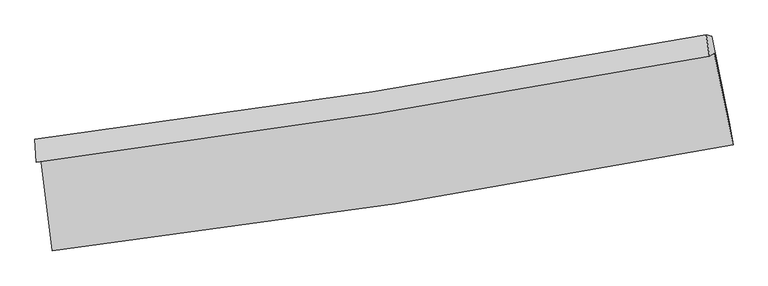
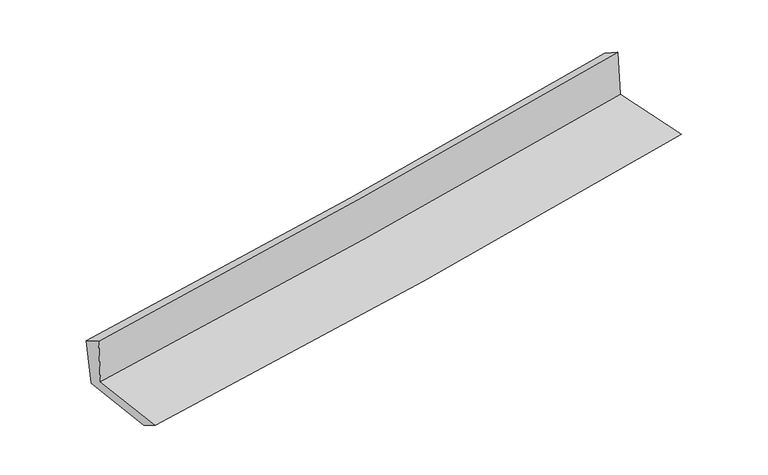
"""IFC4 building model written with IfcOpenShell, lengths in millimetres: proxy geometry."""

from ifc_helpers import new_model, si_unit, frame, origin, place, context, project, spatial, source, transform, mapped, element, save
from ifc_brep_helpers import plane_surface, spline_curve, spline_surface, advanced_brep


def generic_models_9f7ce8b5(model_context):
    return source(origin(), model_context, "Body", "AdvancedBrep", [
        advanced_brep(
        [(-2489.0464748, -1862.9230234, 1660.3295971), (-2407.8175611, -2538.0046583, 1647.3035356), (2566.1145847, -1764.1398926, 2081.2513997), (2427.7867002, -1097.4703102, 2088.9622759), (-2522.4811863, -1891.6384876, 2059.7748619), (2393.3238599, -1119.4866535, 2500.1788394), (-2533.4555967, -1726.1356862, 1966.0352055), (2370.1197364, -962.648449, 2403.5462184), (-2496.1097953, -1735.911066, 1573.6575469), (2408.7762767, -972.0074984, 2016.3867041), (-2417.2472823, -2387.1698266, 1555.668799), (2539.8009641, -1601.0524144, 2003.8021915)],
        [
            (0, 1),
            (1, 2, spline_curve(3, [(-2407.8175611, -2538.0046583, 1647.3035356), (-1570.72020581, -2440.186767367, 1724.975122012), (-735.671510412, -2326.398212656, 1800.136940466), (922.266407959, -2068.135643811, 1944.73788227), (1745.195094105, -1923.96927687, 2014.225351638), (2566.1145847, -1764.1398926, 2081.2513997)], [4, 2, 4], [0.0, 8.282115516798562, 16.484072944432864])),
            (2, 3),
            (3, 0, spline_curve(3, [(2427.7867002, -1097.4703102, 2088.9622759), (1615.796478068, -1249.32392461, 2022.96700419), (802.066220004, -1388.788811009, 1954.43606387), (-836.843994501, -1644.18305006, 1811.608308848), (-1662.058128086, -1759.869067781, 1737.261689705), (-2489.0464748, -1862.9230234, 1660.3295971)], [4, 2, 4], [0.0, 8.201957427634301, 16.484072944432864])),
            (4, 0),
            (3, 5),
            (5, 4, spline_curve(3, [(2393.3238599, -1119.4866535, 2500.1788394), (1581.20452, -1270.088906617, 2432.323123299), (767.494235362, -1409.477914249, 2361.88601269), (-871.076198186, -1667.082104883, 2215.135389462), (-1695.967595565, -1785.077042202, 2138.771174366), (-2522.4811863, -1891.6384876, 2059.7748619)], [4, 2, 4], [0.0, 8.155086916114906, 16.38987385383219])),
            (6, 4),
            (5, 7),
            (7, 6, spline_curve(3, [(2370.1197364, -962.648449, 2403.5462184), (1560.615456838, -1113.367843884, 2332.873192284), (749.228315598, -1252.100662606, 2261.259318317), (-885.259812952, -1506.831843972, 2115.440793606), (-1708.397782775, -1622.59477095, 2041.217663522), (-2533.4555967, -1726.1356862, 1966.0352055)], [4, 2, 4], [0.0, 8.144770062090396, 16.369139318716936])),
            (8, 6),
            (7, 9),
            (9, 8, spline_curve(3, [(2408.7762767, -972.0074984, 2016.3867041), (1599.198055424, -1122.849422229, 1943.272460386), (787.665595161, -1261.678160905, 1870.001415099), (-847.258044502, -1516.548641853, 1722.428109345), (-1670.687608208, -1632.354425703, 1648.122768537), (-2496.1097953, -1735.911066, 1573.6575469)], [4, 2, 4], [0.0, 8.135183749550828, 16.349873006185497])),
            (10, 8),
            (9, 11),
            (11, 10, spline_curve(3, [(2539.8009641, -1601.0524144, 2003.8021915), (1723.230337073, -1767.567792245, 1929.481907171), (903.879997697, -1916.104560216, 1855.15892572), (-748.414819905, -2178.496826178, 1705.781181372), (-1581.413895648, -2291.999195735, 1630.726365162), (-2417.2472823, -2387.1698266, 1555.668799)], [4, 2, 4], [0.0, 8.182329291357732, 16.44462484524423])),
            (1, 10),
            (11, 2),
        ],
        [
            spline_surface(3, 3, [[(-2489.0464748, -1862.9230234, 1660.3295971), (-1662.058128183, -1759.86906771, 1737.26168958), (-836.843994541, -1644.183049957, 1811.608308842), (802.066220043, -1388.788811111, 1954.436063876), (1615.796478057, -1249.32392449, 2022.967004169), (2427.7867002, -1097.4703102, 2088.9622759)], [(-2461.970170226, -2087.950235022, 1655.987576616), (-1631.612154094, -1986.641634264, 1733.166167043), (-803.119833137, -1871.588104162, 1807.784519389), (842.132949292, -1615.237755391, 1951.203336674), (1658.929350079, -1474.205708623, 2020.053120023), (2473.89599504, -1319.693504333, 2086.391983837)], [(-2434.893865674, -2312.977446678, 1651.645556084), (-1601.166180028, -2213.414200852, 1729.070644457), (-769.395671689, -2098.993158338, 1803.960729928), (882.199678585, -1841.686699642, 1947.970609463), (1702.062222081, -1699.087492758, 2017.139235865), (2520.00528986, -1541.916698467, 2083.821691763)], [(-2407.8175611, -2538.0046583, 1647.3035356), (-1570.720205939, -2440.186767406, 1724.975121919), (-735.671510285, -2326.398212544, 1800.136940475), (922.266407834, -2068.135643923, 1944.737882261), (1745.195094104, -1923.96927689, 2014.225351719), (2566.1145847, -1764.1398926, 2081.2513997)]], [4, 4], [4, 2, 4], [0.0, 2.263124798360597], [0.0, 8.282115516798562, 16.484072944432864]),
            spline_surface(3, 3, [[(-2522.4811863, -1891.6384876, 2059.7748619), (-1695.967595526, -1785.07704216, 2138.771174268), (-871.076198084, -1667.082104962, 2215.13538952), (767.494235261, -1409.477914171, 2361.886012632), (1581.20451993, -1270.088906677, 2432.323123223), (2393.3238599, -1119.4866535, 2500.1788394)], [(-2511.336282492, -1882.066666189, 1926.626440272), (-1684.66443977, -1776.674383999, 2004.934679345), (-859.665463561, -1659.449086627, 2080.626362612), (779.018230197, -1402.581546484, 2226.069363031), (1592.735172642, -1263.167245928, 2295.871083538), (2404.811473336, -1112.147872379, 2363.106651567)], [(-2500.191378608, -1872.494844811, 1793.478018728), (-1673.361283939, -1768.271725871, 1871.098184504), (-848.254729063, -1651.816068292, 1946.117335751), (790.542225108, -1395.685178798, 2090.252713477), (1604.265825345, -1256.24558524, 2159.419043854), (2416.299086764, -1104.809091321, 2226.034463733)], [(-2489.0464748, -1862.9230234, 1660.3295971), (-1662.058128183, -1759.86906771, 1737.26168958), (-836.843994541, -1644.183049957, 1811.608308842), (802.066220043, -1388.788811111, 1954.436063876), (1615.796478057, -1249.32392449, 2022.967004169), (2427.7867002, -1097.4703102, 2088.9622759)]], [4, 4], [4, 2, 4], [0.0, 1.3369746904431716], [0.0, 8.234786937717283, 16.38987385383219]),
            spline_surface(3, 3, [[(-2533.4555967, -1726.1356862, 1966.0352055), (-1708.397782895, -1622.594771013, 2041.217663462), (-885.259812989, -1506.831843921, 2115.440793701), (749.228315634, -1252.100662656, 2261.259318223), (1560.615456757, -1113.367844004, 2332.873192321), (2370.1197364, -962.648449, 2403.5462184)], [(-2529.797459888, -1781.303286687, 1997.28175764), (-1704.254387094, -1676.755528082, 2073.735500404), (-880.531941361, -1560.248597591, 2148.672325641), (755.316955503, -1304.559746484, 2294.801549693), (1567.478477801, -1165.608198239, 2366.023169308), (2377.85444422, -1014.927850511, 2435.757092087)], [(-2526.139323112, -1836.470887113, 2028.52830976), (-1700.110991327, -1730.916285091, 2106.253337326), (-875.804069712, -1613.665351292, 2181.90385758), (761.405595392, -1357.018830343, 2328.343781162), (1574.341498886, -1217.848552442, 2399.173146236), (2385.58915208, -1067.207251989, 2467.967965713)], [(-2522.4811863, -1891.6384876, 2059.7748619), (-1695.967595526, -1785.07704216, 2138.771174268), (-871.076198084, -1667.082104962, 2215.13538952), (767.494235261, -1409.477914171, 2361.886012632), (1581.20451993, -1270.088906677, 2432.323123223), (2393.3238599, -1119.4866535, 2500.1788394)]], [4, 4], [4, 2, 4], [0.0, 0.6183324695245052], [0.0, 8.22436925662654, 16.369139318716936]),
            spline_surface(3, 3, [[(-2496.1097953, -1735.911066, 1573.6575469), (-1670.68760823, -1632.354425582, 1648.122768626), (-847.258044476, -1516.548641729, 1722.428109267), (787.665595136, -1261.678161029, 1870.001415176), (1599.198055398, -1122.849422323, 1943.272460265), (2408.7762767, -972.0074984, 2016.3867041)], [(-2508.558395779, -1732.652606059, 1704.450099786), (-1683.257666463, -1629.101207385, 1779.154400257), (-859.925300652, -1513.309709137, 1853.432337399), (774.853168631, -1258.485661583, 2000.420716179), (1586.337189182, -1119.688896201, 2073.13937095), (2395.890763265, -968.887815251, 2145.439875533)], [(-2521.006996221, -1729.394146141, 1835.242652614), (-1695.827724661, -1625.847989211, 1910.18603183), (-872.592556814, -1510.070776512, 1984.436565569), (762.04074214, -1255.293162102, 2130.84001722), (1573.476322972, -1116.528370125, 2203.006281636), (2383.005249835, -965.768132149, 2274.493046967)], [(-2533.4555967, -1726.1356862, 1966.0352055), (-1708.397782895, -1622.594771013, 2041.217663462), (-885.259812989, -1506.831843921, 2115.440793701), (749.228315634, -1252.100662656, 2261.259318223), (1560.615456757, -1113.367844004, 2332.873192321), (2370.1197364, -962.648449, 2403.5462184)]], [4, 4], [4, 2, 4], [0.0, 1.293043839761764], [0.0, 8.214689256634669, 16.349873006185497]),
            spline_surface(3, 3, [[(-2417.2472823, -2387.1698266, 1555.668799), (-1581.413895742, -2291.999195773, 1630.726365089), (-748.414819829, -2178.496826228, 1705.781181278), (903.879997621, -1916.104560166, 1855.158925813), (1723.2303372, -1767.5677923, 1929.48190711), (2539.8009641, -1601.0524144, 2003.8021915)], [(-2443.534786628, -2170.083573071, 1561.665048298), (-1611.1717999, -2072.117605713, 1636.525166266), (-781.362561376, -1957.847431404, 1711.330157296), (865.141863461, -1697.962427129, 1860.106422289), (1681.886243277, -1552.661668987, 1934.078758154), (2496.12606831, -1391.370775746, 2007.997029026)], [(-2469.822290972, -1952.997319529, 1567.661297602), (-1640.929704072, -1852.236015642, 1642.323967449), (-814.310302929, -1737.198036553, 1716.879133249), (826.403729296, -1479.820294066, 1865.053918701), (1640.542149321, -1337.755545636, 1938.675609221), (2452.45117249, -1181.689137054, 2012.191866574)], [(-2496.1097953, -1735.911066, 1573.6575469), (-1670.68760823, -1632.354425582, 1648.122768626), (-847.258044476, -1516.548641729, 1722.428109267), (787.665595136, -1261.678161029, 1870.001415176), (1599.198055398, -1122.849422323, 1943.272460265), (2408.7762767, -972.0074984, 2016.3867041)]], [4, 4], [4, 2, 4], [0.0, 2.188717475648455], [0.0, 8.2622955538865, 16.44462484524423]),
            spline_surface(3, 3, [[(-2407.8175611, -2538.0046583, 1647.3035356), (-1570.720205939, -2440.186767406, 1724.975121919), (-735.671510285, -2326.398212544, 1800.136940475), (922.266407834, -2068.135643923, 1944.737882261), (1745.195094104, -1923.96927689, 2014.225351719), (2566.1145847, -1764.1398926, 2081.2513997)], [(-2410.960801487, -2487.726381073, 1616.758623387), (-1574.284769194, -2390.790910201, 1693.55886963), (-739.919280117, -2277.097750419, 1768.685020747), (916.137604446, -2017.458615984, 1914.878230116), (1737.873508464, -1871.835448707, 1985.977536834), (2557.343377828, -1709.77739988, 2055.434996951)], [(-2414.104041913, -2437.448103827, 1586.213711213), (-1577.849332487, -2341.395052977, 1662.142617379), (-744.167049997, -2227.797288353, 1737.233101007), (910.008801009, -1966.781588104, 1885.018577959), (1730.55192284, -1819.701620483, 1957.729721996), (2548.572170972, -1655.41490712, 2029.618594249)], [(-2417.2472823, -2387.1698266, 1555.668799), (-1581.413895742, -2291.999195773, 1630.726365089), (-748.414819829, -2178.496826228, 1705.781181278), (903.879997621, -1916.104560166, 1855.158925813), (1723.2303372, -1767.5677923, 1929.48190711), (2539.8009641, -1601.0524144, 2003.8021915)]], [4, 4], [4, 2, 4], [0.0, 0.5793962075594079], [0.0, 8.3193328570509, 16.558147418553997]),
            plane_surface(frame((2450.9870203, -1252.8008697, 2182.3546048), z_axis=(0.9751590987692258, 0.20126676782883768, 0.09250092029447227), x_axis=(-0.09932380505433049, 0.02404706668981563, 0.9947645552255795))),
            plane_surface(frame((-2477.6929827, -2023.630458, 1743.7949243), z_axis=(-0.9889081339558012, -0.11723016526923861, -0.09120192403125375), x_axis=(-0.1194409791637752, 0.9926565281851294, 0.019153838984501056))),
        ],
        [
            (0, [[1, 2, 3, 4]]),
            (1, [[5, -4, 6, 7]]),
            (2, [[8, -7, 9, 10]]),
            (3, [[11, -10, 12, 13]]),
            (4, [[14, -13, 15, 16]]),
            (5, [[17, -16, 18, -2]]),
            (6, [[-12, -9, -6, -3, -18, -15]]),
            (7, [[-1, -5, -8, -11, -14, -17]]),
        ],
    ),
    ])


if __name__ == "__main__":
    model = new_model("IFC4")
    model_context = context("Model", 3, world=origin())
    ifc_project = project(units=[si_unit("LENGTHUNIT", "METRE", prefix="MILLI")], contexts=[model_context])
    site = spatial("IfcSite", under=ifc_project)
    building = spatial("IfcBuilding", under=site)
    placement = place(None, origin())
    generic_models_shape = generic_models_9f7ce8b5(model_context)
    element("IfcBuildingElementProxy", 1, Name="Generic Models", at=placement, inside=building, context=model_context, shape_type="MappedRepresentation", body=[
        mapped(generic_models_shape, transform((0.0, 0.0, 0.0), x_axis=(1.0, 0.0, 0.0), y_axis=(0.0, 1.0, 0.0), z_axis=(0.0, 0.0, 1.0))),
    ])
    save(model, "model.ifc")
